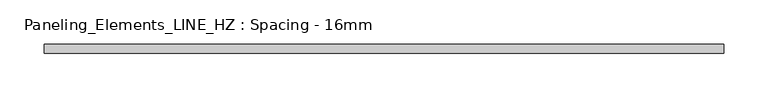
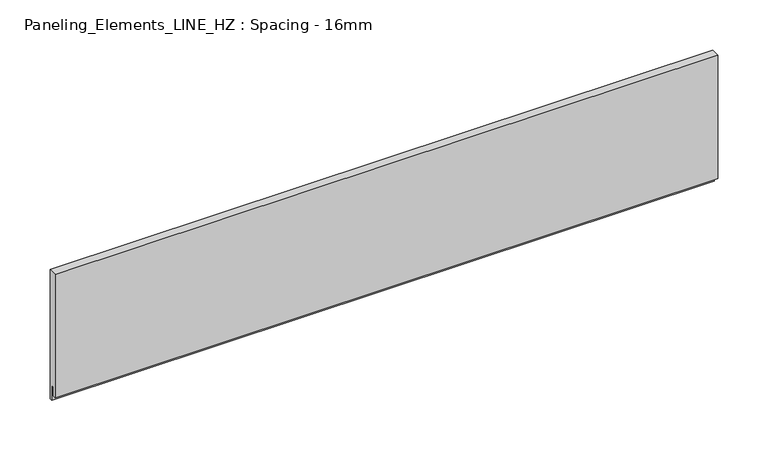
"""IFC4 building model written with IfcOpenShell, lengths in millimetres: plate geometry, Paneling_Elements_LINE_HZ : Spacing - 16mm."""

from ifc_helpers import new_model, si_unit, frame, origin, place, context, project, spatial, polyline, outline, extrude, source, transform, mapped, element, save


def paneling_elements_line_hz_spacing_16mm_0c43a204(model_context):
    return source(origin(), model_context, "Body", "SweptSolid", [
        extrude(outline(polyline([(5.0, 151.0), (5.0, -7.0), (2.0, -7.0), (2.0, 11.0), (-1.0, 11.0), (-1.0, 0.0), (-5.0, 0.0), (-5.0, 151.0), (5.0, 151.0)])), frame((-382.25, 0.0, 0.0), z_axis=(1.0, 0.0, 0.0), x_axis=(0.0, 1.0, 0.0)), (0.0, 0.0, 1.0), 764.5),
    ])


if __name__ == "__main__":
    model = new_model("IFC4")
    model_context = context("Model", 3, world=origin())
    ifc_project = project(units=[si_unit("LENGTHUNIT", "METRE", prefix="MILLI")], contexts=[model_context])
    site = spatial("IfcSite", under=ifc_project)
    building = spatial("IfcBuilding", under=site)
    placement = place(None, origin())
    paneling_elements_line_hz_spacing_16mm_shape = paneling_elements_line_hz_spacing_16mm_0c43a204(model_context)
    element("IfcPlate", 1, ObjectType="Paneling_Elements_LINE_HZ : Spacing - 16mm", at=placement, inside=building, context=model_context, shape_type="MappedRepresentation", body=[
        mapped(paneling_elements_line_hz_spacing_16mm_shape, transform((0.0, 0.0, 0.0), x_axis=(1.0, 0.0, 0.0), y_axis=(0.0, 1.0, 0.0), z_axis=(0.0, 0.0, 1.0))),
    ])
    save(model, "model.ifc")
